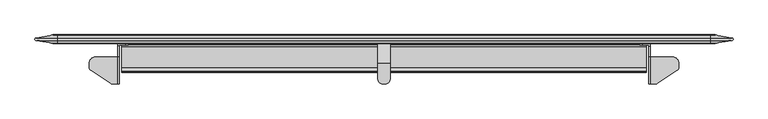
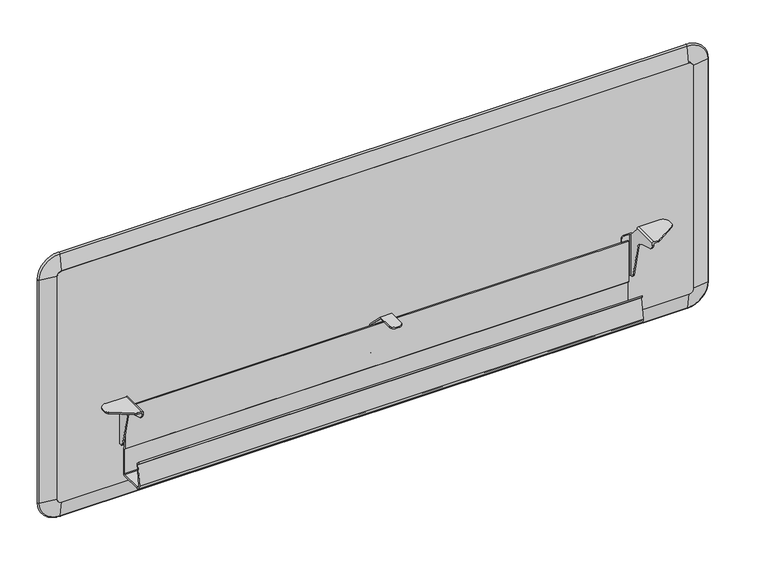
"""IFC4 building model written with IfcOpenShell, lengths in millimetres: furniture geometry."""

import ifcopenshell
import ifcopenshell.guid

model = None  # the IFC model being written
_history = None  # IfcOwnerHistory: only IFC2X3 demands one
_inside = {}  # id of a spatial element -> (the spatial element, [elements in it])
_under = {}  # id of a project, library or spatial element -> (it, [spatial elements below it])
_declared = {}  # id of a project -> (the project, [libraries it declares])
_typed = {}  # id of a type object -> (the type object, [elements of that type])
_made_of = {}  # id of a material, layer set ... -> (it, [elements and type objects made of it])


def new_model(schema):
    """Start an empty IFC model of exactly this schema.

    Asked for "IFC4X3", IfcOpenShell would pick the latest addendum, in which some entities
    have other attributes; the version numbers below select the first issue.
    IFC2X3 requires an IfcOwnerHistory on every rooted entity: one is made here for all.
    """
    global model, _history
    if schema == "IFC4X3":
        model = ifcopenshell.file(schema_version=(4, 3, 0, 0))
    else:
        model = ifcopenshell.file(schema=schema)
    _inside.clear()
    _under.clear()
    _declared.clear()
    _typed.clear()
    _made_of.clear()
    _history = None
    if model.schema == "IFC2X3":
        org = make("IfcOrganization", Name="unknown")
        user = make(
            "IfcPersonAndOrganization",
            ThePerson=make("IfcPerson", FamilyName="unknown"),
            TheOrganization=org,
        )
        app = make(
            "IfcApplication",
            ApplicationDeveloper=org,
            Version="unknown",
            ApplicationFullName="unknown",
            ApplicationIdentifier="unknown",
        )
        _history = make(
            "IfcOwnerHistory",
            OwningUser=user,
            OwningApplication=app,
            ChangeAction="ADDED",
            CreationDate=0,
        )
    return model


def make(cls, **values):
    """One entity of the class cls with the attributes given. An attribute that is None is left unset."""
    return model.create_entity(
        cls, **{name: value for name, value in values.items() if value is not None}
    )


def rooted(cls, **values):
    """An entity with a GlobalId (a new one), such as an element, a storey or a relation."""
    return make(cls, GlobalId=ifcopenshell.guid.new(), OwnerHistory=_history, **values)


def si_unit(unit_type, name, prefix=None):
    """IfcSIUnit, for example si_unit("LENGTHUNIT", "METRE", prefix="MILLI")."""
    return make("IfcSIUnit", UnitType=unit_type, Prefix=prefix, Name=name)


def assignment(units):
    """IfcUnitAssignment: the units of a project."""
    return None if units is None else make("IfcUnitAssignment", Units=units)


def point(xyz):
    """IfcCartesianPoint."""
    return None if xyz is None else make("IfcCartesianPoint", Coordinates=xyz)


def direction(xyz):
    """IfcDirection."""
    return None if xyz is None else make("IfcDirection", DirectionRatios=xyz)


def frame(location, z_axis=None, x_axis=None):
    """IfcAxis2Placement3D, a coordinate frame: its origin and axes. An axis left out is left unset."""
    return make(
        "IfcAxis2Placement3D",
        Location=point(location),
        Axis=direction(z_axis),
        RefDirection=direction(x_axis),
    )


def frame_2d(location, x_axis=None):
    """IfcAxis2Placement2D, a coordinate frame in the plane: its origin and x axis."""
    return make(
        "IfcAxis2Placement2D", Location=point(location), RefDirection=direction(x_axis)
    )


def origin():
    """The frame at (0, 0, 0) with its axes left unset."""
    return frame((0.0, 0.0, 0.0))


def place(relative_to, where):
    """IfcLocalPlacement: puts the frame where relative to a parent placement (None: the world)."""
    return make(
        "IfcLocalPlacement", PlacementRelTo=relative_to, RelativePlacement=where
    )


def context(
    kind, dimensions, precision=None, world=None, true_north=None, identifier=None
):
    """IfcGeometricRepresentationContext, for example the 3D "Model" context."""
    return make(
        "IfcGeometricRepresentationContext",
        ContextIdentifier=identifier,
        ContextType=kind,
        CoordinateSpaceDimension=dimensions,
        Precision=precision,
        WorldCoordinateSystem=world,
        TrueNorth=true_north,
    )


def project(units=None, contexts=None):
    """IfcProject with its units and contexts."""
    return rooted(
        "IfcProject",
        Name="project",
        RepresentationContexts=contexts,
        UnitsInContext=assignment(units),
    )


def spatial(cls, under=None, at=None, **own):
    """A site, building, storey or space (cls), placed at a placement, below another one or the project."""
    s = rooted(cls, ObjectPlacement=at, **own)
    if under is not None:
        _under.setdefault(under.id(), (under, []))[1].append(s)
    return s


def polyline(points):
    """IfcPolyline through the points."""
    return make("IfcPolyline", Points=[point(p) for p in points])


def circle_curve(where, radius):
    """IfcCircle in the frame where."""
    return make("IfcCircle", Position=where, Radius=radius)


def ellipse_curve(where, semi_axis1, semi_axis2):
    """IfcEllipse in the frame where."""
    return make(
        "IfcEllipse", Position=where, SemiAxis1=semi_axis1, SemiAxis2=semi_axis2
    )


def trimmed(basis, trim1, trim2, sense, master):
    """IfcTrimmedCurve: the piece of a basis curve between two trims."""
    return make(
        "IfcTrimmedCurve",
        BasisCurve=basis,
        Trim1=trim1,
        Trim2=trim2,
        SenseAgreement=sense,
        MasterRepresentation=master,
    )


def segment(curve, same_sense, transition):
    """IfcCompositeCurveSegment."""
    return make(
        "IfcCompositeCurveSegment",
        Transition=transition,
        SameSense=same_sense,
        ParentCurve=curve,
    )


def composite_curve(segments, self_intersect=None):
    """IfcCompositeCurve: segments joined end to end."""
    return make("IfcCompositeCurve", Segments=segments, SelfIntersect=self_intersect)


def outline(outer, holes=None, kind="AREA"):
    """IfcArbitraryClosedProfileDef: a profile drawn as a closed curve; with holes, ...WithVoids."""
    if holes is None:
        return make("IfcArbitraryClosedProfileDef", ProfileType=kind, OuterCurve=outer)
    return make(
        "IfcArbitraryProfileDefWithVoids",
        ProfileType=kind,
        OuterCurve=outer,
        InnerCurves=holes,
    )


def extrude(swept, where, along, depth):
    """IfcExtrudedAreaSolid: the profile swept, set in the frame where, extruded along a direction by depth."""
    return make(
        "IfcExtrudedAreaSolid",
        SweptArea=swept,
        Position=where,
        ExtrudedDirection=direction(along),
        Depth=depth,
    )


def shape(context_of_items, identifier, shape_type, items):
    """IfcShapeRepresentation: the items that make up one representation, for example the "Body"."""
    return make(
        "IfcShapeRepresentation",
        ContextOfItems=context_of_items,
        RepresentationIdentifier=identifier,
        RepresentationType=shape_type,
        Items=items,
    )


def source(mapping_origin, context_of_items, identifier, shape_type, items):
    """IfcRepresentationMap: a shape defined once, which mapped items show again and again."""
    return make(
        "IfcRepresentationMap",
        MappingOrigin=mapping_origin,
        MappedRepresentation=shape(context_of_items, identifier, shape_type, items),
    )


def transform(
    local_origin,
    x_axis=None,
    y_axis=None,
    z_axis=None,
    scale=None,
    scale2=None,
    scale3=None,
    uniform=True,
):
    """IfcCartesianTransformationOperator3D, or its non-uniform kind. x_axis, y_axis, z_axis: its Axis1, 2, 3."""
    if uniform:
        return make(
            "IfcCartesianTransformationOperator3D",
            Axis1=direction(x_axis),
            Axis2=direction(y_axis),
            LocalOrigin=point(local_origin),
            Scale=scale,
            Axis3=direction(z_axis),
        )
    return make(
        "IfcCartesianTransformationOperator3DnonUniform",
        Axis1=direction(x_axis),
        Axis2=direction(y_axis),
        LocalOrigin=point(local_origin),
        Scale=scale,
        Axis3=direction(z_axis),
        Scale2=scale2,
        Scale3=scale3,
    )


def mapped(mapping_source, mapping_target):
    """IfcMappedItem: shows the shape of a source again, moved by a transform."""
    return make(
        "IfcMappedItem", MappingSource=mapping_source, MappingTarget=mapping_target
    )


def made_of(thing, what):
    """Note that an element or type object is made of a material, layer set ...; save() writes the relation."""
    if what is not None:
        _made_of.setdefault(what.id(), (what, []))[1].append(thing)
    return thing


def element(
    cls,
    number,
    at=None,
    inside=None,
    cuts=None,
    type_object=None,
    material=None,
    context=None,
    identifier="Body",
    shape_type=None,
    held_by="IfcProductDefinitionShape",
    body=None,
    shapes=None,
    **own,
):
    """One element of the class cls, such as IfcWall. Its Tag is "e" and its number.

    at: its placement. inside: the storey or other place that contains it. cuts: it is an
    opening in that element (IfcRelVoidsElement). A single representation is given by context,
    identifier, shape_type and body (its items); several are given by shapes. held_by: the class
    of the entity that holds the representations. save() writes the other relations.
    """
    e = rooted(cls, Tag="e%d" % number, ObjectPlacement=at, **own)
    if body is not None:
        shapes = [shape(context, identifier, shape_type, body)]
    if shapes is not None:
        e.Representation = make(held_by, Representations=shapes)
    if inside is not None:
        _inside.setdefault(inside.id(), (inside, []))[1].append(e)
    if cuts is not None:
        rooted(
            "IfcRelVoidsElement", RelatingBuildingElement=cuts, RelatedOpeningElement=e
        )
    if type_object is not None:
        _typed.setdefault(type_object.id(), (type_object, []))[1].append(e)
    return made_of(e, material)


def aggregate(whole, parts):
    """IfcRelAggregates: a whole, such as a stair, and the parts it consists of."""
    return rooted("IfcRelAggregates", RelatingObject=whole, RelatedObjects=parts)


def save(model, path):
    """Write the relations noted so far, then the file.

    IfcRelAggregates (storeys below a building ...), IfcRelContainedInSpatialStructure (elements
    in a storey), IfcRelDefinesByType, IfcRelAssociatesMaterial and IfcRelDeclares: one each for
    every whole, place, type object, material and project.
    """
    for whole, parts in _under.values():
        aggregate(whole, parts)
    for where, things in _inside.values():
        rooted(
            "IfcRelContainedInSpatialStructure",
            RelatedElements=things,
            RelatingStructure=where,
        )
    for kind, things in _typed.values():
        rooted("IfcRelDefinesByType", RelatedObjects=things, RelatingType=kind)
    for what, things in _made_of.values():
        rooted("IfcRelAssociatesMaterial", RelatedObjects=things, RelatingMaterial=what)
    for by, libraries in _declared.values():
        rooted("IfcRelDeclares", RelatingContext=by, RelatedDefinitions=libraries)
    model.write(path)


def plane_surface(at):
    """IfcPlane: the flat surface through the origin of the frame at, square to its z axis."""
    return make("IfcPlane", Position=at)


def cylinder_surface(at, radius):
    """IfcCylindricalSurface: all points at the distance radius from the z axis of the frame at."""
    return make("IfcCylindricalSurface", Position=at, Radius=radius)


def revolved_surface(curve, axis_point, axis_direction):
    """IfcSurfaceOfRevolution: the curve turned about the line through axis_point along axis_direction."""
    return make(
        "IfcSurfaceOfRevolution",
        SweptCurve=make("IfcArbitraryOpenProfileDef", ProfileType="CURVE", Curve=curve),
        AxisPosition=make("IfcAxis1Placement", Location=point(axis_point), Axis=direction(axis_direction)),
    )


def advanced_brep(points, edges, surfaces, faces):
    """IfcAdvancedBrep: a solid bounded by faces that lie on surfaces and meet in shared edges.

    An edge is (start, end): straight between two places in points (the first is 0);
    or (start, end, curve); or (start, end, curve, False) where it runs against its curve.
    A face is (place in surfaces, loops), or (place, loops, False) where it looks against
    its surface's normal. A loop lists edges by number (the first is 1), with a minus sign
    where the edge is run from its end to its start. The first loop is the outer one.
    """
    corners = [point(p) for p in points]
    vertices = [make("IfcVertexPoint", VertexGeometry=c) for c in corners]
    made = []
    for start, end, *more in edges:
        made.append(
            make(
                "IfcEdgeCurve",
                EdgeStart=vertices[start],
                EdgeEnd=vertices[end],
                EdgeGeometry=more[0] if more else make("IfcPolyline", Points=[corners[start], corners[end]]),
                SameSense=more[1] if len(more) > 1 else True,
            )
        )
    hull = []
    for where, loops, *sense in faces:
        bounds = []
        for j, loop in enumerate(loops):
            ring = [make("IfcOrientedEdge", EdgeElement=made[abs(k) - 1], Orientation=k > 0) for k in loop]
            bounds.append(
                make(
                    "IfcFaceOuterBound" if j == 0 else "IfcFaceBound",
                    Bound=make("IfcEdgeLoop", EdgeList=ring),
                    Orientation=True,
                )
            )
        hull.append(make("IfcAdvancedFace", Bounds=bounds, FaceSurface=surfaces[where], SameSense=sense[0] if sense else True))
    return make("IfcAdvancedBrep", Outer=make("IfcClosedShell", CfsFaces=hull))


def furniture_ccbd1661(model_context):
    return source(origin(), model_context, "Body", "SolidModel", [
        advanced_brep(
        [(37.8460002, 26.549624, 1019.1897249), (47.2440002, 26.549624, 1028.5877249), (47.2440002, 31.9712442, 1064.189321), (2.2444041, 31.9712442, 1019.1897249), (37.8460002, 43.0596241, 1019.1897249), (47.2440002, 43.0596241, 1028.5877249), (2.2444041, 37.638004, 1019.1897249), (47.2440002, 37.638004, 1064.189321), (2.2444041, 31.9712442, 503.0871249), (37.8460002, 26.549624, 503.0871249), (37.8460002, 43.0596241, 503.0871249), (2.2444041, 37.638004, 503.0871249), (47.2440002, 26.549624, 493.6891249), (47.2440002, 31.9712442, 458.0875287), (47.2440002, 43.0596241, 493.6891249), (47.2440002, 37.638004, 458.0875287), (1422.6539998, 31.9712442, 458.0875287), (1422.6539998, 26.549624, 493.6891249), (1422.6539998, 43.0596241, 493.6891249), (1422.6539998, 37.638004, 458.0875287), (1432.0519998, 26.549624, 503.0871249), (1467.6535959, 31.9712442, 503.0871249), (1467.6535959, 31.9712442, 1019.1897249), (1432.0519998, 26.549624, 1019.1897249), (1432.0519998, 43.0596241, 503.0871249), (1432.0519998, 43.0596241, 1019.1897249), (1467.6535959, 37.638004, 503.0871249), (1467.6535959, 37.638004, 1019.1897249), (1422.6539998, 26.549624, 1028.5877249), (1422.6539998, 31.9712442, 1064.189321), (1422.6539998, 43.0596241, 1028.5877249), (1422.6539998, 37.638004, 1064.189321)],
        [
            (0, 1, circle_curve(frame((47.2440002, 26.549624, 1019.1897249), z_axis=(0.0, 1.0, 0.0), x_axis=(0.0, 0.0, 1.0)), 9.398)),
            (1, 2),
            (2, 3, circle_curve(frame((47.2440002, 31.9712442, 1019.1897249), z_axis=(0.0, -1.0, 0.0), x_axis=(0.0, 0.0, 1.0)), 44.9995962)),
            (3, 0),
            (4, 5, circle_curve(frame((47.2440002, 43.0596241, 1019.1897249), z_axis=(0.0, 1.0, 0.0), x_axis=(0.0, 0.0, 1.0)), 9.398)),
            (5, 1),
            (0, 4),
            (6, 7, circle_curve(frame((47.2440002, 37.638004, 1019.1897249), z_axis=(0.0, 1.0, 0.0), x_axis=(0.0, 0.0, 1.0)), 44.9995962)),
            (7, 5),
            (4, 6),
            (2, 7, circle_curve(frame((47.2440002, 34.8046241, 1063.7578373), z_axis=(-1.0, 0.0, 0.0), x_axis=(0.0, 0.0, -1.0)), 2.866046)),
            (6, 3, circle_curve(frame((2.6758878, 34.8046241, 1019.1897249), z_axis=(-1.6538877974066437e-12, 0.0, 1.0), x_axis=(1.0, 0.0, 1.6538877974066437e-12)), 2.866046)),
            (3, 8),
            (8, 9),
            (9, 0),
            (9, 10),
            (10, 4),
            (10, 11),
            (11, 6),
            (11, 8, circle_curve(frame((2.6758878, 34.8046241, 503.0871249), z_axis=(0.0, 0.0, 1.0), x_axis=(1.0, 0.0, 0.0)), 2.866046)),
            (12, 9, circle_curve(frame((47.2440002, 26.549624, 503.0871249), z_axis=(0.0, 1.0, 0.0), x_axis=(-1.0, 0.0, 0.0)), 9.398)),
            (8, 13, circle_curve(frame((47.2440002, 31.9712442, 503.0871249), z_axis=(0.0, -1.0, 0.0), x_axis=(-1.0, 0.0, 0.0)), 44.9995962)),
            (13, 12),
            (14, 10, circle_curve(frame((47.2440002, 43.0596241, 503.0871249), z_axis=(0.0, 1.0, 0.0), x_axis=(-1.0, 0.0, 0.0)), 9.398)),
            (12, 14),
            (15, 11, circle_curve(frame((47.2440002, 37.638004, 503.0871249), z_axis=(0.0, 1.0, 0.0), x_axis=(-1.0, 0.0, 0.0)), 44.9995962)),
            (14, 15),
            (15, 13, circle_curve(frame((47.2440002, 34.8046241, 458.5190124), z_axis=(-1.0, 0.0, 0.0), x_axis=(0.0, 0.0, 1.0)), 2.866046)),
            (13, 16),
            (16, 17),
            (17, 12),
            (17, 18),
            (18, 14),
            (18, 19),
            (19, 15),
            (19, 16, circle_curve(frame((1422.6539998, 34.8046241, 458.5190124), z_axis=(-1.0, 0.0, 0.0), x_axis=(0.0, 0.0, 1.0)), 2.866046)),
            (20, 21),
            (21, 22),
            (22, 23),
            (23, 20),
            (24, 20),
            (23, 25),
            (25, 24),
            (26, 24),
            (25, 27),
            (27, 26),
            (21, 26, circle_curve(frame((1467.2221122, 34.8046241, 503.0871249), z_axis=(0.0, 0.0, 1.0), x_axis=(-1.0, 0.0, 0.0)), 2.866046)),
            (27, 22, circle_curve(frame((1467.2221122, 34.8046241, 1019.1897249), z_axis=(0.0, 0.0, -1.0), x_axis=(-1.0, 0.0, 0.0)), 2.866046)),
            (28, 23, circle_curve(frame((1422.6539998, 26.549624, 1019.1897249), z_axis=(0.0, 1.0, 0.0), x_axis=(1.0, 0.0, 0.0)), 9.398)),
            (22, 29, circle_curve(frame((1422.6539998, 31.9712442, 1019.1897249), z_axis=(0.0, -1.0, 0.0), x_axis=(1.0, 0.0, 0.0)), 44.9995962)),
            (29, 28),
            (30, 25, circle_curve(frame((1422.6539998, 43.0596241, 1019.1897249), z_axis=(0.0, 1.0, 0.0), x_axis=(1.0, 0.0, 0.0)), 9.398)),
            (28, 30),
            (31, 27, circle_curve(frame((1422.6539998, 37.638004, 1019.1897249), z_axis=(0.0, 1.0, 0.0), x_axis=(1.0, 0.0, 0.0)), 44.9995962)),
            (30, 31),
            (31, 29, circle_curve(frame((1422.6539998, 34.8046241, 1063.7578373), z_axis=(1.0, 0.0, 0.0), x_axis=(0.0, 0.0, -1.0)), 2.866046)),
            (29, 2),
            (1, 28),
            (5, 30),
            (7, 31),
            (20, 17, circle_curve(frame((1422.6539998, 26.549624, 503.0871249), z_axis=(0.0, 1.0, 0.0), x_axis=(0.0, 0.0, -1.0)), 9.398)),
            (16, 21, circle_curve(frame((1422.6539998, 31.9712442, 503.0871249), z_axis=(0.0, -1.0, 0.0), x_axis=(0.0, 0.0, -1.0)), 44.9995962)),
            (24, 18, circle_curve(frame((1422.6539998, 43.0596241, 503.0871249), z_axis=(0.0, 1.0, 0.0), x_axis=(0.0, 0.0, -1.0)), 9.398)),
            (26, 19, circle_curve(frame((1422.6539998, 37.638004, 503.0871249), z_axis=(0.0, 1.0, 0.0), x_axis=(0.0, 0.0, -1.0)), 44.9995962)),
        ],
        [
            revolved_surface(polyline([(47.2440002, 31.9712442, 1064.189321), (47.2440002, 26.549624, 1028.5877249)]), (47.2440002, 34.8046241, 1019.1897249), (0.0, -1.0, 0.0)),
            revolved_surface(polyline([(47.2440002, 26.549624, 1028.5877249), (47.2440002, 43.0596241, 1028.5877249)]), (47.2440002, 34.8046241, 1019.1897249), (0.0, -1.0, 0.0)),
            revolved_surface(polyline([(47.2440002, 43.0596241, 1028.5877249), (47.2440002, 37.638004, 1064.189321)]), (47.2440002, 34.8046241, 1019.1897249), (0.0, -1.0, 0.0)),
            revolved_surface(trimmed(ellipse_curve(frame((47.2440002, 34.8046241, 1063.7578373), z_axis=(1.0, 0.0, 0.0), x_axis=(0.0, 0.0, -1.0)), 2.866046, 2.866046), [point((47.2440002, 37.638004, 1064.189321))], [point((47.2440002, 31.9712442, 1064.189321))], True, "CARTESIAN"), (47.2440002, 34.8046241, 1019.1897249), (0.0, -1.0, 0.0)),
            plane_surface(frame((2.2444041, 31.9712442, 1019.1897249), z_axis=(-0.1505501753136433, -0.9886023693644637, 0.0), x_axis=(0.0, 0.0, -1.0))),
            plane_surface(frame((37.8460002, 26.549624, 1019.1897249), z_axis=(1.0, 0.0, 0.0), x_axis=(0.0, 0.0, -1.0))),
            plane_surface(frame((37.8460002, 43.0596241, 1019.1897249), z_axis=(-0.1505501753136384, 0.9886023693644643, 0.0), x_axis=(0.0, 0.0, -1.0))),
            cylinder_surface(frame((2.6758878, 34.8046241, 1019.1897249), z_axis=(0.0, 0.0, 1.0), x_axis=(1.0, 0.0, 0.0)), 2.866046),
            revolved_surface(polyline([(2.2444041, 31.9712442, 503.0871249), (37.8460002, 26.549624, 503.0871249)]), (47.2440002, 34.8046241, 503.0871249), (0.0, -1.0, 0.0)),
            revolved_surface(polyline([(37.846000200000006, 26.549624, 503.0871249), (37.846000200000006, 43.0596241, 503.0871249)]), (47.2440002, 34.8046241, 503.0871249), (0.0, -1.0, 0.0)),
            revolved_surface(polyline([(37.8460002, 43.0596241, 503.0871249), (2.2444041, 37.638004, 503.0871249)]), (47.2440002, 34.8046241, 503.0871249), (0.0, -1.0, 0.0)),
            revolved_surface(trimmed(ellipse_curve(frame((2.6758878, 34.8046241, 503.0871249), z_axis=(0.0, 0.0, 1.0), x_axis=(1.0, 0.0, 0.0)), 2.866046, 2.866046), [point((2.2444041, 37.638004, 503.0871249))], [point((2.2444041, 31.9712442, 503.0871249))], True, "CARTESIAN"), (47.2440002, 34.8046241, 503.0871249), (0.0, -1.0, 0.0)),
            plane_surface(frame((47.2440002, 31.9712442, 458.0875287), z_axis=(0.0, -0.9886023693644641, -0.1505501753136401), x_axis=(1.0, 0.0, 0.0))),
            plane_surface(frame((47.2440002, 26.549624, 493.6891249), z_axis=(0.0, 0.0, 1.0), x_axis=(1.0, 0.0, 0.0))),
            plane_surface(frame((47.2440002, 43.0596241, 493.6891249), z_axis=(0.0, 0.9886023693644639, -0.1505501753136416), x_axis=(1.0, 0.0, 0.0))),
            cylinder_surface(frame((47.2440002, 34.8046241, 458.5190124), z_axis=(-1.0, 0.0, 0.0), x_axis=(0.0, 0.0, 1.0)), 2.866046),
            plane_surface(frame((1467.6535959, 31.9712442, 503.0871249), z_axis=(0.1505501753136369, -0.9886023693644646, 0.0), x_axis=(0.0, 0.0, 1.0))),
            plane_surface(frame((1432.0519998, 26.549624, 503.0871249), z_axis=(-1.0, 0.0, 0.0), x_axis=(0.0, 0.0, 1.0))),
            plane_surface(frame((1432.0519998, 43.0596241, 503.0871249), z_axis=(0.15055017531364479, 0.9886023693644634, 0.0), x_axis=(0.0, 0.0, 1.0))),
            cylinder_surface(frame((1467.2221122, 34.8046241, 503.0871249), z_axis=(0.0, 0.0, -1.0), x_axis=(-1.0, 0.0, 0.0)), 2.866046),
            revolved_surface(polyline([(1467.6535959, 31.9712442, 1019.1897249), (1432.0519998, 26.549624, 1019.1897249)]), (1422.6539998, 34.8046241, 1019.1897249), (0.0, -1.0, 0.0)),
            revolved_surface(polyline([(1432.0519998, 26.549624, 1019.1897249), (1432.0519998, 43.0596241, 1019.1897249)]), (1422.6539998, 34.8046241, 1019.1897249), (0.0, -1.0, 0.0)),
            revolved_surface(polyline([(1432.0519998, 43.0596241, 1019.1897249), (1467.6535959, 37.638004, 1019.1897249)]), (1422.6539998, 34.8046241, 1019.1897249), (0.0, -1.0, 0.0)),
            revolved_surface(trimmed(ellipse_curve(frame((1467.2221122, 34.8046241, 1019.1897249), z_axis=(0.0, 0.0, -1.0), x_axis=(-1.0, 0.0, 0.0)), 2.866046, 2.866046), [point((1467.6535959, 37.638004, 1019.1897249))], [point((1467.6535959, 31.9712442, 1019.1897249))], True, "CARTESIAN"), (1422.6539998, 34.8046241, 1019.1897249), (0.0, -1.0, 0.0)),
            plane_surface(frame((1422.6539998, 31.9712442, 1064.189321), z_axis=(0.0, -0.9886023693644641, 0.1505501753136401), x_axis=(-1.0, 0.0, 0.0))),
            plane_surface(frame((1422.6539998, 26.549624, 1028.5877249), z_axis=(0.0, 0.0, -1.0), x_axis=(-1.0, 0.0, 0.0))),
            plane_surface(frame((1422.6539998, 43.0596241, 1028.5877249), z_axis=(0.0, 0.9886023693644639, 0.1505501753136416), x_axis=(-1.0, 0.0, 0.0))),
            cylinder_surface(frame((1422.6539998, 34.8046241, 1063.7578373), z_axis=(1.0, 0.0, 0.0), x_axis=(0.0, 0.0, -1.0)), 2.866046),
            revolved_surface(polyline([(1422.6539998, 31.9712442, 458.0875287), (1422.6539998, 26.549624, 493.6891249)]), (1422.6539998, 34.8046241, 503.0871249), (0.0, -1.0, 0.0)),
            revolved_surface(polyline([(1422.6539998, 26.549624, 493.68912489999997), (1422.6539998, 43.0596241, 493.68912489999997)]), (1422.6539998, 34.8046241, 503.0871249), (0.0, -1.0, 0.0)),
            revolved_surface(polyline([(1422.6539998, 43.0596241, 493.6891249), (1422.6539998, 37.638004, 458.0875287)]), (1422.6539998, 34.8046241, 503.0871249), (0.0, -1.0, 0.0)),
            revolved_surface(trimmed(ellipse_curve(frame((1422.6539998, 34.8046241, 458.5190124), z_axis=(-1.0, 0.0, 0.0), x_axis=(0.0, 0.0, 1.0)), 2.866046, 2.866046), [point((1422.6539998, 37.638004, 458.0875287))], [point((1422.6539998, 31.9712442, 458.0875287))], True, "CARTESIAN"), (1422.6539998, 34.8046241, 503.0871249), (0.0, -1.0, 0.0)),
        ],
        [
            (0, [[1, 2, 3, 4]]),
            (1, [[5, 6, -1, 7]]),
            (2, [[8, 9, -5, 10]]),
            (3, [[-3, 11, -8, 12]]),
            (4, [[-4, 13, 14, 15]]),
            (5, [[-7, -15, 16, 17]]),
            (6, [[-10, -17, 18, 19]]),
            (7, [[-12, -19, 20, -13]]),
            (8, [[21, -14, 22, 23]]),
            (9, [[24, -16, -21, 25]]),
            (10, [[26, -18, -24, 27]]),
            (11, [[-22, -20, -26, 28]]),
            (12, [[-23, 29, 30, 31]]),
            (13, [[-25, -31, 32, 33]]),
            (14, [[-27, -33, 34, 35]]),
            (15, [[-28, -35, 36, -29]]),
            (16, [[37, 38, 39, 40]]),
            (17, [[41, -40, 42, 43]]),
            (18, [[44, -43, 45, 46]]),
            (19, [[47, -46, 48, -38]]),
            (20, [[49, -39, 50, 51]]),
            (21, [[52, -42, -49, 53]]),
            (22, [[54, -45, -52, 55]]),
            (23, [[-50, -48, -54, 56]]),
            (24, [[-51, 57, -2, 58]]),
            (25, [[-53, -58, -6, 59]]),
            (26, [[-55, -59, -9, 60]]),
            (27, [[-56, -60, -11, -57]]),
            (28, [[61, -30, 62, -37]]),
            (29, [[63, -32, -61, -41]]),
            (30, [[64, -34, -63, -44]]),
            (31, [[-62, -36, -64, -47]]),
        ],
    ),
        extrude(outline(composite_curve([segment(polyline([(1028.5877249, 1422.6539998), (1028.5877249, 47.2440002)]), True, "CONTINUOUS"), segment(trimmed(circle_curve(frame_2d((1019.1897249, 47.2440002)), 9.398), [point((1028.5877249, 47.2440002))], [point((1019.1897249, 37.8460002))], False, "CARTESIAN"), True, "CONTINUOUS"), segment(polyline([(1019.1897249, 37.8460002), (503.0871249, 37.8460002)]), True, "CONTINUOUS"), segment(trimmed(circle_curve(frame_2d((503.0871249, 47.2440002)), 9.398), [point((503.0871249, 37.8460002))], [point((493.6891249, 47.2440002))], False, "CARTESIAN"), True, "CONTINUOUS"), segment(polyline([(493.6891249, 47.2440002), (493.6891249, 1422.6539998)]), True, "CONTINUOUS"), segment(trimmed(circle_curve(frame_2d((503.0871249, 1422.6539998)), 9.398), [point((493.6891249, 1422.6539998))], [point((503.0871249, 1432.0519998))], False, "CARTESIAN"), True, "CONTINUOUS"), segment(polyline([(503.0871249, 1432.0519998), (1019.1897249, 1432.0519998)]), True, "CONTINUOUS"), segment(trimmed(circle_curve(frame_2d((1019.1897249, 1422.6539998)), 9.398), [point((1019.1897249, 1432.0519998))], [point((1028.5877249, 1422.6539998))], False, "CARTESIAN"), True, "CONTINUOUS")], self_intersect=False)), frame((0.0, 25.4066228, 0.0), z_axis=(0.0, 1.0, 0.0), x_axis=(0.0, 0.0, 1.0)), (0.0, 0.0, 1.0), 18.7960025),
        extrude(outline(composite_curve([segment(polyline([(-29.6214455, 566.0400135), (-32.2417275, 568.6602751), (-31.9020339, 572.8107121), (-26.2692382, 567.1779164), (-32.5488339, 519.4796569)]), True, "CONTINUOUS"), segment(trimmed(circle_curve(frame_2d((-26.2531591, 518.6508155)), 6.35), [point((-32.5488339, 519.4796569))], [point((-26.2531591, 512.3008155))], True, "CARTESIAN"), True, "CONTINUOUS"), segment(polyline([(-26.2531591, 512.3008155), (20.6071565, 512.3008155), (22.1946573, 513.8882913), (22.1946573, 570.4668145), (19.0196569, 573.6418024), (19.0196569, 667.977396), (22.1946573, 667.977396), (22.1946573, 574.9569474), (25.3696565, 571.7819232), (25.3696565, 512.3008155), (24.4397214, 510.055749), (22.1946573, 509.1257913), (-26.0079813, 509.1257913)]), True, "CONTINUOUS"), segment(trimmed(circle_curve(frame_2d((-26.0079813, 518.8658104)), 9.7400191), [point((-26.0079813, 509.1257913))], [point((-35.6646732, 520.1371379))], False, "CARTESIAN"), True, "CONTINUOUS"), segment(polyline([(-35.6646732, 520.1371379), (-29.6214455, 566.0400135)]), True, "CONTINUOUS")], self_intersect=False)), frame((183.0831925, 0.0, 0.0), z_axis=(1.0, 0.0, 0.0), x_axis=(0.0, 1.0, 0.0)), (0.0, 0.0, 1.0), 1103.7316072),
        advanced_brep(
        [(1291.3359998, 22.0728737, 681.0643879), (1292.8599983, 20.5488729, 681.0643879), (1295.9079954, 20.5488729, 681.0643879), (1295.9079954, 25.1208731, 681.0643879), (1279.9059985, 25.1208731, 681.0643879), (1279.9059985, 22.0728737, 681.0643879), (1295.9079998, 18.5173958, 585.8154416), (1292.8599998, 18.5173958, 585.8154416), (1292.8599998, 20.5488729, 585.8154416), (1291.3359998, 22.0728737, 585.8154416), (1279.9059985, 22.0728737, 585.8154416), (1279.9059985, 25.1208731, 585.8154416), (1295.9079954, 25.1208731, 585.8154416), (1295.9079954, 20.5488729, 681.3737901), (1295.9079954, -2.6141187, 706.2063852), (1295.9079954, -59.9691275, 706.2063881), (1295.9079954, -59.9691275, 703.6685243), (1295.9079954, -51.0192378, 691.5348244), (1295.9079954, -19.5344252, 681.8039492), (1295.9079954, -4.0487508, 665.2685282), (1295.9079954, 14.0702213, 589.3263938), (1273.5559985, 25.1208731, 592.1654416), (1273.5559985, 25.1208731, 674.7143879), (1273.5559985, 22.0728737, 674.7143879), (1273.5559985, 22.0728737, 592.1654416), (1297.4827917, -59.9691275, 707.7811438), (1305.7824919, -59.9691275, 707.7811438), (1305.7824919, -59.9691275, 710.8545753), (1296.0349998, -59.9691275, 710.8545753), (1292.8599998, -59.9691275, 707.6795753), (1292.8599998, -59.9691275, 703.6685243), (1292.8599998, -2.6141187, 706.2063852), (1292.8599998, -2.6141187, 707.6795753), (1296.0349998, -2.6141187, 710.8545753), (1342.5169927, -2.6141187, 710.8545753), (1342.5169927, -2.6141187, 707.7811438), (1297.4827917, -2.6141187, 707.7811438), (1292.8599998, 20.5488729, 681.3737901), (1292.8599998, 14.0702213, 589.3263938), (1292.8599998, -4.0487508, 665.2685282), (1292.8599998, -19.5344252, 681.8039492), (1292.8599998, -51.0192378, 691.5348244), (1310.6892117, -58.4923724, 710.8545753), (1351.8687126, -31.236255, 710.8545753), (1355.8519927, -23.8230101, 710.8545753), (1355.8519927, -15.9491187, 710.8545753), (1351.8687126, -31.236255, 707.7811438), (1310.6892117, -58.4923724, 707.7811438), (1355.8519927, -15.9491187, 707.7811438), (1355.8519927, -23.8230101, 707.7811438)],
        [
            (0, 1),
            (1, 2),
            (2, 3),
            (3, 4),
            (4, 5),
            (5, 0),
            (6, 7),
            (7, 8),
            (8, 9),
            (9, 10),
            (10, 11),
            (11, 12),
            (12, 6),
            (0, 9),
            (8, 1),
            (2, 13),
            (13, 14),
            (14, 15),
            (15, 16),
            (16, 17, circle_curve(frame((1295.9079954, -47.2691275, 703.6685243), z_axis=(1.0, 0.0, 0.0), x_axis=(0.0, 0.0, -1.0)), 12.7)),
            (17, 18),
            (18, 19, circle_curve(frame((1295.9079954, -26.2846237, 659.9632894), z_axis=(-1.0, 0.0, 0.0), x_axis=(0.0, 0.0, -1.0)), 22.86)),
            (19, 20),
            (20, 6, circle_curve(frame((1295.9079954, 18.5173958, 590.3874416), z_axis=(1.0, 0.0, 0.0), x_axis=(0.0, 0.0, -1.0)), 4.572)),
            (12, 3),
            (11, 21, circle_curve(frame((1279.9059985, 25.1208731, 592.1654416), z_axis=(0.0, 1.0, 0.0), x_axis=(-1.0, 0.0, 0.0)), 6.35)),
            (21, 22),
            (22, 4, circle_curve(frame((1279.9059985, 25.1208731, 674.7143879), z_axis=(0.0, 1.0, 0.0), x_axis=(-1.0, 0.0, 0.0)), 6.35)),
            (5, 23, circle_curve(frame((1279.9059985, 22.0728737, 674.7143879), z_axis=(0.0, -1.0, 0.0), x_axis=(-1.0, 0.0, 0.0)), 6.35)),
            (23, 24),
            (24, 10, circle_curve(frame((1279.9059985, 22.0728737, 592.1654416), z_axis=(0.0, -1.0, 0.0), x_axis=(-1.0, 0.0, 0.0)), 6.35)),
            (24, 21),
            (23, 22),
            (15, 25),
            (25, 26),
            (26, 27),
            (27, 28),
            (28, 29, circle_curve(frame((1296.0349998, -59.9691275, 707.6795753), z_axis=(0.0, -1.0, 0.0), x_axis=(-1.0, 0.0, 0.0)), 3.175)),
            (29, 30),
            (30, 16),
            (31, 32),
            (32, 33, circle_curve(frame((1296.0349998, -2.6141187, 707.6795753), z_axis=(0.0, 1.0, 0.0), x_axis=(-1.0, 0.0, 0.0)), 3.175)),
            (33, 34),
            (34, 35),
            (35, 36),
            (36, 14),
            (14, 31),
            (29, 32),
            (31, 37),
            (37, 1),
            (7, 38, circle_curve(frame((1292.8599998, 18.5173958, 590.3874416), z_axis=(-1.0, 0.0, 0.0), x_axis=(0.0, 0.0, -1.0)), 4.572)),
            (38, 39),
            (39, 40, circle_curve(frame((1292.8599998, -26.2846237, 659.9632894), z_axis=(1.0, 0.0, 0.0), x_axis=(0.0, 0.0, -1.0)), 22.86)),
            (40, 41),
            (41, 30, circle_curve(frame((1292.8599998, -47.2691275, 703.6685243), z_axis=(-1.0, 0.0, 0.0), x_axis=(0.0, 0.0, -1.0)), 12.7)),
            (36, 25),
            (28, 33),
            (27, 42, circle_curve(frame((1305.7824919, -51.0791275, 710.8545753), z_axis=(0.0, 0.0, 1.0), x_axis=(-1.0, 0.0, 0.0)), 8.89)),
            (42, 43),
            (43, 44, circle_curve(frame((1346.9619927, -23.8230101, 710.8545753), z_axis=(0.0, 0.0, 1.0), x_axis=(-1.0, 0.0, 0.0)), 8.89)),
            (44, 45),
            (45, 34, circle_curve(frame((1342.5169927, -15.9491187, 710.8545753), z_axis=(0.0, 0.0, 1.0), x_axis=(-1.0, 0.0, 0.0)), 13.335)),
            (46, 47),
            (47, 26, circle_curve(frame((1305.7824919, -51.0791275, 707.7811438), z_axis=(0.0, 0.0, -1.0), x_axis=(-1.0, 0.0, 0.0)), 8.89)),
            (35, 48, circle_curve(frame((1342.5169927, -15.9491187, 707.7811438), z_axis=(0.0, 0.0, -1.0), x_axis=(-1.0, 0.0, 0.0)), 13.335)),
            (48, 49),
            (49, 46, circle_curve(frame((1346.9619927, -23.8230101, 707.7811438), z_axis=(0.0, 0.0, -1.0), x_axis=(-1.0, 0.0, 0.0)), 8.89)),
            (42, 47),
            (46, 43),
            (45, 48),
            (44, 49),
            (37, 13),
            (20, 38),
            (19, 39),
            (18, 40),
            (17, 41),
        ],
        [
            plane_surface(frame((1291.3359998, 25.1208731, 681.0643879), z_axis=(0.0, 0.0, 1.0), x_axis=(0.0, -1.0, 0.0))),
            plane_surface(frame((1291.3359998, 25.1208731, 585.8154416), z_axis=(0.0, 0.0, -1.0), x_axis=(0.0, -1.0, 0.0))),
            plane_surface(frame((1291.3359998, 22.0728737, 681.0643879), z_axis=(-0.7071073080222255, -0.707106254350477, 0.0), x_axis=(0.0, 0.0, -1.0))),
            plane_surface(frame((1295.9079954, 20.5488729, 681.0643879), z_axis=(1.0, 0.0, 0.0), x_axis=(0.0, 0.0, -1.0))),
            plane_surface(frame((1295.9079954, 25.1208731, 681.0643879), z_axis=(0.0, 1.0, 0.0), x_axis=(0.0, 0.0, -1.0))),
            plane_surface(frame((1279.9059985, 22.0728737, 681.0643879), z_axis=(0.0, -1.0, 0.0), x_axis=(-1.0, 0.0, 0.0))),
            cylinder_surface(frame((1279.9059985, 25.1208731, 592.1654416), z_axis=(0.0, -1.0, 0.0), x_axis=(-1.0, 0.0, 0.0)), 6.35),
            plane_surface(frame((1273.5559985, 22.0728737, 674.7143879), z_axis=(-1.0, 0.0, 0.0), x_axis=(0.0, 1.0, 0.0))),
            cylinder_surface(frame((1279.9059985, 25.1208731, 674.7143879), z_axis=(0.0, -1.0, 0.0), x_axis=(-1.0, 0.0, 0.0)), 6.35),
            plane_surface(frame((1292.8599998, -59.9691275, 706.2063852), z_axis=(0.0, -1.0, 0.0), x_axis=(0.0, 0.0, 1.0))),
            plane_surface(frame((1292.8599998, -2.6141187, 706.2063852), z_axis=(0.0, 1.0, 0.0), x_axis=(0.0, 0.0, 1.0))),
            plane_surface(frame((1292.8599998, -59.9691275, 707.6795753), z_axis=(-1.0, 0.0, 0.0), x_axis=(0.0, 1.0, 0.0))),
            plane_surface(frame((1295.9079969, -59.9691275, 706.2063852), z_axis=(0.707098623564232, 0.0, -0.7071149387147527), x_axis=(0.0, 1.0, 0.0))),
            cylinder_surface(frame((1296.0349998, -59.9691275, 707.6795753), z_axis=(0.0, -1.0, 0.0), x_axis=(-1.0, 0.0, 0.0)), 3.175),
            plane_surface(frame((1297.4827917, -59.9691275, 710.8545753), z_axis=(0.0, 0.0, 1.0), x_axis=(0.0, 1.0, 0.0))),
            plane_surface(frame((1338.0719927, -23.8230101, 707.7811438), z_axis=(0.0, 0.0, -1.0), x_axis=(0.0, 1.0, 0.0))),
            plane_surface(frame((1310.6892117, -58.4923724, 710.8545753), z_axis=(0.5519369911431358, -0.833885818207662, 0.0), x_axis=(0.0, 0.0, -1.0))),
            cylinder_surface(frame((1305.7824919, -51.0791275, 707.7811438), z_axis=(0.0, 0.0, 1.0), x_axis=(-1.0, 0.0, 0.0)), 8.89),
            cylinder_surface(frame((1342.5169927, -15.9491187, 707.7811438), z_axis=(0.0, 0.0, 1.0), x_axis=(-1.0, 0.0, 0.0)), 13.335),
            plane_surface(frame((1355.8519927, -23.8230101, 710.8545753), z_axis=(1.0, 0.0, 0.0), x_axis=(0.0, 0.0, -1.0))),
            cylinder_surface(frame((1346.9619927, -23.8230101, 707.7811438), z_axis=(0.0, 0.0, 1.0), x_axis=(-1.0, 0.0, 0.0)), 8.89),
            plane_surface(frame((1295.9079998, 20.5488729, 585.8154416), z_axis=(0.0, 1.0, 0.0), x_axis=(-1.0, 0.0, 0.0))),
            plane_surface(frame((1295.9079998, 20.5488729, 681.3737901), z_axis=(0.0, 0.7312623065650411, 0.6820963560943394), x_axis=(-1.0, 0.0, 0.0))),
            cylinder_surface(frame((1292.8599998, 18.5173958, 590.3874416), z_axis=(1.0, 0.0, 0.0), x_axis=(0.0, 0.0, -1.0)), 4.572),
            plane_surface(frame((1295.9079998, -4.0487508, 665.2685282), z_axis=(0.0, -0.972697849560511, -0.23207518923908624), x_axis=(-1.0, 0.0, 0.0))),
            revolved_surface(polyline([(1292.8599998, -26.2846237, 637.1032894), (1295.9079954, -26.2846237, 637.1032894)]), (1292.8599998, -26.2846237, 659.9632894), (-1.0, 0.0, 0.0)),
            plane_surface(frame((1295.9079998, -51.0192378, 691.5348244), z_axis=(0.0, -0.2952842736686701, -0.9554094398340254), x_axis=(-1.0, 0.0, 0.0))),
            cylinder_surface(frame((1292.8599998, -47.2691275, 703.6685243), z_axis=(1.0, 0.0, 0.0), x_axis=(0.0, 0.0, -1.0)), 12.7),
        ],
        [
            (0, [[1, 2, 3, 4, 5, 6]]),
            (1, [[7, 8, 9, 10, 11, 12, 13]]),
            (2, [[-1, 14, -9, 15]]),
            (3, [[-3, 16, 17, 18, 19, 20, 21, 22, 23, 24, -13, 25]]),
            (4, [[-25, -12, 26, 27, 28, -4]]),
            (5, [[-6, 29, 30, 31, -10, -14]]),
            (6, [[-31, 32, -26, -11]]),
            (7, [[-30, 33, -27, -32]]),
            (8, [[-29, -5, -28, -33]]),
            (9, [[34, 35, 36, 37, 38, 39, 40, -19]]),
            (10, [[41, 42, 43, 44, 45, 46, 47]]),
            (11, [[-39, 48, -41, 49, 50, -15, -8, 51, 52, 53, 54, 55]]),
            (12, [[-34, -18, -46, 56]]),
            (13, [[-38, 57, -42, -48]]),
            (14, [[-57, -37, 58, 59, 60, 61, 62, -43]]),
            (15, [[63, 64, -35, -56, -45, 65, 66, 67]]),
            (16, [[-59, 68, -63, 69]]),
            (17, [[-58, -36, -64, -68]]),
            (18, [[-62, 70, -65, -44]]),
            (19, [[-61, 71, -66, -70]]),
            (20, [[-60, -69, -67, -71]]),
            (21, [[72, -16, -2, -50]]),
            (22, [[-49, -47, -17, -72]]),
            (23, [[-51, -7, -24, 73]]),
            (24, [[-52, -73, -23, 74]]),
            (25, [[-53, -74, -22, 75]]),
            (26, [[-54, -75, -21, 76]]),
            (27, [[-55, -76, -20, -40]]),
        ],
    ),
        advanced_brep(
        [(177.0380017, -59.9691275, 703.6685243), (177.0380017, -51.0192378, 691.5348244), (177.0380017, -19.5344252, 681.8039492), (177.0380017, -4.0487508, 665.2685282), (177.0380017, 14.0702213, 589.3263938), (177.0380017, 18.5173958, 585.8154416), (177.0380017, 20.5488729, 585.8154416), (177.0380017, 20.5488729, 681.0643879), (177.0380017, 20.5488729, 681.3737901), (177.0380017, -2.6141187, 706.2063852), (177.0380017, -2.6141187, 707.6795753), (177.0380017, -59.9691275, 707.6795753), (173.9900046, -2.6141187, 706.2063852), (173.9900046, 20.5488729, 681.3737901), (173.9900046, 20.5488729, 681.0643879), (173.9900046, 25.1208731, 681.0643879), (173.9900046, 25.1208731, 585.8154416), (173.9900046, 18.5173958, 585.8154416), (173.9900046, 14.0702213, 589.3263938), (173.9900046, -4.0487508, 665.2685282), (173.9900046, -19.5344252, 681.8039492), (173.9900046, -51.0192378, 691.5348244), (173.9900046, -59.9691275, 703.6685243), (173.9900046, -59.9691275, 706.2063852), (173.8630017, -59.9691275, 710.8545753), (164.1155081, -59.9691275, 710.8545753), (164.1155081, -59.9691275, 707.7811438), (172.4152097, -59.9691275, 707.7811438), (189.9920015, 25.1208731, 585.8154416), (189.9920015, 22.0728737, 585.8154416), (178.5620002, 22.0728737, 585.8154416), (178.5620002, 22.0728737, 681.0643879), (189.9920015, 22.0728737, 681.0643879), (189.9920015, 25.1208731, 681.0643879), (196.3420015, 25.1208731, 674.7143879), (196.3420015, 25.1208731, 592.1654416), (196.3420015, 22.0728737, 592.1654416), (196.3420015, 22.0728737, 674.7143879), (172.4152097, -2.6141187, 707.7811438), (127.3810073, -2.6141187, 707.7811438), (127.3810073, -2.6141187, 710.8545753), (173.8630017, -2.6141187, 710.8545753), (114.0460073, -15.9491187, 710.8545753), (114.0460073, -23.8230101, 710.8545753), (118.0292874, -31.236255, 710.8545753), (159.2087883, -58.4923724, 710.8545753), (118.0292874, -31.236255, 707.7811438), (114.0460073, -23.8230101, 707.7811438), (114.0460073, -15.9491187, 707.7811438), (159.2087883, -58.4923724, 707.7811438)],
        [
            (0, 1, circle_curve(frame((177.0380017, -47.2691275, 703.6685243), z_axis=(1.0, 0.0, 0.0), x_axis=(0.0, 0.0, -1.0)), 12.7)),
            (1, 2),
            (2, 3, circle_curve(frame((177.0380017, -26.2846237, 659.9632894), z_axis=(-1.0, 0.0, 0.0), x_axis=(0.0, 0.0, -1.0)), 22.86)),
            (3, 4),
            (4, 5, circle_curve(frame((177.0380017, 18.5173958, 590.3874416), z_axis=(1.0, 0.0, 0.0), x_axis=(0.0, 0.0, -1.0)), 4.572)),
            (5, 6),
            (6, 7),
            (7, 8),
            (8, 9),
            (9, 10),
            (10, 11),
            (11, 0),
            (12, 13),
            (13, 14),
            (14, 15),
            (15, 16),
            (16, 17),
            (17, 18, circle_curve(frame((173.9900046, 18.5173958, 590.3874416), z_axis=(-1.0, 0.0, 0.0), x_axis=(0.0, 0.0, -1.0)), 4.572)),
            (18, 19),
            (19, 20, circle_curve(frame((173.9900046, -26.2846237, 659.9632894), z_axis=(1.0, 0.0, 0.0), x_axis=(0.0, 0.0, -1.0)), 22.86)),
            (20, 21),
            (21, 22, circle_curve(frame((173.9900046, -47.2691275, 703.6685243), z_axis=(-1.0, 0.0, 0.0), x_axis=(0.0, 0.0, -1.0)), 12.7)),
            (22, 23),
            (23, 12),
            (13, 8),
            (7, 14),
            (22, 0),
            (11, 24, circle_curve(frame((173.8630017, -59.9691275, 707.6795753), z_axis=(0.0, -1.0, 0.0), x_axis=(-1.0, 0.0, 0.0)), 3.175)),
            (24, 25),
            (25, 26),
            (26, 27),
            (27, 23),
            (12, 9),
            (5, 17),
            (16, 28),
            (28, 29),
            (29, 30),
            (30, 6),
            (4, 18),
            (3, 19),
            (2, 20),
            (1, 21),
            (7, 31),
            (31, 32),
            (32, 33),
            (33, 15),
            (33, 34, circle_curve(frame((189.9920015, 25.1208731, 674.7143879), z_axis=(0.0, 1.0, 0.0), x_axis=(1.0, 0.0, 0.0)), 6.35)),
            (34, 35),
            (35, 28, circle_curve(frame((189.9920015, 25.1208731, 592.1654416), z_axis=(0.0, 1.0, 0.0), x_axis=(1.0, 0.0, 0.0)), 6.35)),
            (30, 31),
            (29, 36, circle_curve(frame((189.9920015, 22.0728737, 592.1654416), z_axis=(0.0, -1.0, 0.0), x_axis=(1.0, 0.0, 0.0)), 6.35)),
            (36, 37),
            (37, 32, circle_curve(frame((189.9920015, 22.0728737, 674.7143879), z_axis=(0.0, -1.0, 0.0), x_axis=(1.0, 0.0, 0.0)), 6.35)),
            (35, 36),
            (34, 37),
            (12, 38),
            (38, 39),
            (39, 40),
            (40, 41),
            (41, 10, circle_curve(frame((173.8630017, -2.6141187, 707.6795753), z_axis=(0.0, 1.0, 0.0), x_axis=(-1.0, 0.0, 0.0)), 3.175)),
            (27, 38),
            (41, 24),
            (40, 42, circle_curve(frame((127.3810073, -15.9491187, 710.8545753), z_axis=(0.0, 0.0, 1.0), x_axis=(1.0, 0.0, 0.0)), 13.335)),
            (42, 43),
            (43, 44, circle_curve(frame((122.9360073, -23.8230101, 710.8545753), z_axis=(0.0, 0.0, 1.0), x_axis=(-1.0, 0.0, 0.0)), 8.89)),
            (44, 45),
            (45, 25, circle_curve(frame((164.1155081, -51.0791275, 710.8545753), z_axis=(0.0, 0.0, 1.0), x_axis=(-1.0, 0.0, 0.0)), 8.89)),
            (46, 47, circle_curve(frame((122.9360073, -23.8230101, 707.7811438), z_axis=(0.0, 0.0, -1.0), x_axis=(-1.0, 0.0, 0.0)), 8.89)),
            (47, 48),
            (48, 39, circle_curve(frame((127.3810073, -15.9491187, 707.7811438), z_axis=(0.0, 0.0, -1.0), x_axis=(1.0, 0.0, 0.0)), 13.335)),
            (26, 49, circle_curve(frame((164.1155081, -51.0791275, 707.7811438), z_axis=(0.0, 0.0, -1.0), x_axis=(-1.0, 0.0, 0.0)), 8.89)),
            (49, 46),
            (44, 46),
            (49, 45),
            (48, 42),
            (47, 43),
        ],
        [
            plane_surface(frame((177.0380017, -2.6141187, 706.2063852), z_axis=(1.0, 0.0, 0.0), x_axis=(0.0, -0.6820963560943393, 0.7312623065650412))),
            plane_surface(frame((173.9900046, -2.6141187, 706.2063852), z_axis=(-1.0, 0.0, 0.0), x_axis=(0.0, 0.6820963560943393, -0.7312623065650412))),
            plane_surface(frame((173.9900046, 20.5488729, 681.3737901), z_axis=(0.0, 1.0, 0.0), x_axis=(1.0, 0.0, 0.0))),
            plane_surface(frame((173.9900046, -59.9691275, 703.6685243), z_axis=(0.0, -1.0, 0.0), x_axis=(1.0, 0.0, 0.0))),
            plane_surface(frame((173.9900046, -2.6141187, 706.2063852), z_axis=(0.0, 0.7312623065650412, 0.6820963560943393), x_axis=(1.0, 0.0, 0.0))),
            plane_surface(frame((173.9900046, 20.5488729, 585.8154416), z_axis=(0.0, 0.0, -1.0), x_axis=(1.0, 0.0, 0.0))),
            cylinder_surface(frame((177.0380017, 18.5173958, 590.3874416), z_axis=(-1.0, 0.0, 0.0), x_axis=(0.0, 0.0, -1.0)), 4.572),
            plane_surface(frame((173.9900046, 14.0702213, 589.3263938), z_axis=(0.0, -0.972697849560511, -0.23207518923908593), x_axis=(1.0, 0.0, 0.0))),
            revolved_surface(polyline([(177.0380017, -26.2846237, 637.1032894), (173.9900046, -26.2846237, 637.1032894)]), (177.0380017, -26.2846237, 659.9632894), (1.0, 0.0, 0.0)),
            plane_surface(frame((173.9900046, -19.5344252, 681.8039492), z_axis=(0.0, -0.29528427366866977, -0.9554094398340254), x_axis=(1.0, 0.0, 0.0))),
            cylinder_surface(frame((177.0380017, -47.2691275, 703.6685243), z_axis=(-1.0, 0.0, 0.0), x_axis=(0.0, 0.0, -1.0)), 12.7),
            plane_surface(frame((178.5620002, 25.1208731, 681.0643879), z_axis=(0.0, 0.0, 1.0), x_axis=(0.0, -1.0, 0.0))),
            plane_surface(frame((178.5620002, 25.1208731, 681.0643879), z_axis=(0.0, 1.0, 0.0), x_axis=(0.0, 0.0, -1.0))),
            plane_surface(frame((177.0380017, 20.5488729, 681.0643879), z_axis=(0.7071073080221921, -0.7071062543505103, 0.0), x_axis=(0.0, 0.0, -1.0))),
            plane_surface(frame((178.5620002, 22.0728737, 585.8154416), z_axis=(0.0, -1.0, 0.0), x_axis=(0.0, 0.0, -1.0))),
            cylinder_surface(frame((189.9920015, 25.1208731, 592.1654416), z_axis=(0.0, -1.0, 0.0), x_axis=(1.0, 0.0, 0.0)), 6.35),
            plane_surface(frame((196.3420015, 22.0728737, 592.1654416), z_axis=(1.0, 0.0, 0.0), x_axis=(0.0, 1.0, 0.0))),
            cylinder_surface(frame((189.9920015, 25.1208731, 674.7143879), z_axis=(0.0, -1.0, 0.0), x_axis=(1.0, 0.0, 0.0)), 6.35),
            plane_surface(frame((177.0380017, -2.6141187, 706.2063852), z_axis=(0.0, 1.0, 0.0), x_axis=(0.0, 0.0, 1.0))),
            plane_surface(frame((172.4152097, -59.9691275, 707.7811438), z_axis=(-0.707098623564232, 0.0, -0.7071149387147527), x_axis=(0.0, 1.0, 0.0))),
            cylinder_surface(frame((173.8630017, -59.9691275, 707.6795753), z_axis=(0.0, -1.0, 0.0), x_axis=(-1.0, 0.0, 0.0)), 3.175),
            plane_surface(frame((173.8630017, -59.9691275, 710.8545753), z_axis=(0.0, 0.0, 1.0), x_axis=(0.0, 1.0, 0.0))),
            plane_surface(frame((118.0292825, -31.2362518, 707.7811438), z_axis=(0.0, 0.0, -1.0), x_axis=(-0.8338858182076654, 0.5519369911431308, 0.0))),
            plane_surface(frame((118.0292874, -31.236255, 710.8545753), z_axis=(-0.5519369911431308, -0.8338858182076654, 0.0), x_axis=(0.0, 0.0, -1.0))),
            cylinder_surface(frame((164.1155081, -51.0791275, 707.7811438), z_axis=(0.0, 0.0, 1.0), x_axis=(-1.0, 0.0, 0.0)), 8.89),
            cylinder_surface(frame((127.3810073, -15.9491187, 707.7811438), z_axis=(0.0, 0.0, 1.0), x_axis=(1.0, 0.0, 0.0)), 13.335),
            plane_surface(frame((114.0460073, -15.9491187, 710.8545753), z_axis=(-1.0, 0.0, 0.0), x_axis=(0.0, 0.0, -1.0))),
            cylinder_surface(frame((122.9360073, -23.8230101, 707.7811438), z_axis=(0.0, 0.0, 1.0), x_axis=(-1.0, 0.0, 0.0)), 8.89),
        ],
        [
            (0, [[1, 2, 3, 4, 5, 6, 7, 8, 9, 10, 11, 12]]),
            (1, [[13, 14, 15, 16, 17, 18, 19, 20, 21, 22, 23, 24]]),
            (2, [[25, -8, 26, -14]]),
            (3, [[-23, 27, -12, 28, 29, 30, 31, 32]]),
            (4, [[-9, -25, -13, 33]]),
            (5, [[-6, 34, -17, 35, 36, 37, 38]]),
            (6, [[-5, 39, -18, -34]]),
            (7, [[-4, 40, -19, -39]]),
            (8, [[-3, 41, -20, -40]]),
            (9, [[-2, 42, -21, -41]]),
            (10, [[-1, -27, -22, -42]]),
            (11, [[-15, -26, 43, 44, 45, 46]]),
            (12, [[-16, -46, 47, 48, 49, -35]]),
            (13, [[-43, -7, -38, 50]]),
            (14, [[-37, 51, 52, 53, -44, -50]]),
            (15, [[-51, -36, -49, 54]]),
            (16, [[-52, -54, -48, 55]]),
            (17, [[-53, -55, -47, -45]]),
            (18, [[56, 57, 58, 59, 60, -10, -33]]),
            (19, [[-32, 61, -56, -24]]),
            (20, [[-28, -11, -60, 62]]),
            (21, [[-29, -62, -59, 63, 64, 65, 66, 67]]),
            (22, [[68, 69, 70, -57, -61, -31, 71, 72]]),
            (23, [[-66, 73, -72, 74]]),
            (24, [[-67, -74, -71, -30]]),
            (25, [[-63, -58, -70, 75]]),
            (26, [[-64, -75, -69, 76]]),
            (27, [[-65, -76, -68, -73]]),
        ],
    ),
        advanced_brep(
        [(722.249, -17.3139164, 707.9894159), (722.249, -50.0365943, 707.9894159), (722.249, -50.0365912, 711.037413), (722.249, -16.0513935, 711.037413), (722.249, 25.4066228, 669.5794217), (722.249, 25.4066228, 607.9896332), (722.249, 22.3534071, 607.9896362), (722.249, 22.3534071, 668.3221424), (747.649, -17.3139164, 707.9894159), (747.649, 22.3534071, 668.3221424), (747.649, 22.3534071, 607.9896332), (747.649, 25.4066228, 607.9896362), (747.649, 25.4066228, 669.5794217), (747.649, -16.0513935, 711.037413), (747.649, -50.0365943, 711.037413), (747.649, -50.0365912, 707.9894159), (731.774003, 22.3534071, 598.4646332), (738.123997, 22.3534071, 598.4646332), (738.123997, 25.4066228, 598.4646332), (731.774003, 25.4066228, 598.4646332), (731.774003, -59.5615943, 711.037413), (738.123997, -59.5615943, 711.037413), (738.123997, -59.5615943, 707.9894159), (731.774003, -59.5615943, 707.9894159)],
        [
            (0, 1),
            (1, 2),
            (2, 3),
            (3, 4),
            (4, 5),
            (5, 6),
            (6, 7),
            (7, 0),
            (8, 9),
            (9, 10),
            (10, 11),
            (11, 12),
            (12, 13),
            (13, 14),
            (14, 15),
            (15, 8),
            (7, 9),
            (8, 0),
            (6, 16, circle_curve(frame((731.774003, 22.3534071, 607.9896362), z_axis=(0.0, -1.0, 0.0), x_axis=(0.0, 0.0, -1.0)), 9.525003)),
            (16, 17),
            (17, 10, circle_curve(frame((738.123997, 22.3534071, 607.9896362), z_axis=(0.0, -1.0, 0.0), x_axis=(0.0, 0.0, -1.0)), 9.525003)),
            (4, 12),
            (11, 18, circle_curve(frame((738.123997, 25.4066228, 607.9896362), z_axis=(0.0, 1.0, 0.0), x_axis=(0.0, 0.0, -1.0)), 9.525003)),
            (18, 19),
            (19, 5, circle_curve(frame((731.774003, 25.4066228, 607.9896362), z_axis=(0.0, 1.0, 0.0), x_axis=(0.0, 0.0, -1.0)), 9.525003)),
            (2, 20, circle_curve(frame((731.774003, -50.0365912, 711.037413), z_axis=(0.0, 0.0, 1.0), x_axis=(0.0, -1.0, 0.0)), 9.525003)),
            (20, 21),
            (21, 14, circle_curve(frame((738.123997, -50.0365912, 711.037413), z_axis=(0.0, 0.0, 1.0), x_axis=(0.0, -1.0, 0.0)), 9.525003)),
            (13, 3),
            (15, 22, circle_curve(frame((738.123997, -50.0365912, 707.9894159), z_axis=(0.0, 0.0, -1.0), x_axis=(0.0, -1.0, 0.0)), 9.525003)),
            (22, 23),
            (23, 1, circle_curve(frame((731.774003, -50.0365912, 707.9894159), z_axis=(0.0, 0.0, -1.0), x_axis=(0.0, -1.0, 0.0)), 9.525003)),
            (23, 20),
            (22, 21),
            (19, 16),
            (17, 18),
        ],
        [
            plane_surface(frame((722.249, -50.0365943, 707.9894159), z_axis=(-1.0, 0.0, 0.0), x_axis=(0.0, -1.0, 0.0))),
            plane_surface(frame((747.649, -50.0365943, 707.9894159), z_axis=(1.0, 0.0, 0.0), x_axis=(0.0, 1.0, 0.0))),
            plane_surface(frame((722.249, 22.3534071, 668.3221424), z_axis=(0.0, -0.7071063358890242, -0.7071072264837905), x_axis=(1.0, 0.0, 0.0))),
            plane_surface(frame((722.249, 22.3534071, 607.9896332), z_axis=(0.0, -1.0, 0.0), x_axis=(1.0, 0.0, 0.0))),
            plane_surface(frame((722.249, 25.4066228, 669.5794217), z_axis=(0.0, 1.0, 0.0), x_axis=(1.0, 0.0, 0.0))),
            plane_surface(frame((722.249, -50.0365943, 711.037413), z_axis=(0.0, 0.0, 1.0), x_axis=(1.0, 0.0, 0.0))),
            plane_surface(frame((722.249, -17.3139164, 707.9894159), z_axis=(0.0, 0.0, -1.0), x_axis=(1.0, 0.0, 0.0))),
            plane_surface(frame((722.249, -16.0513935, 711.037413), z_axis=(0.0, 0.7071065681279338, 0.7071069942450972), x_axis=(1.0, 0.0, 0.0))),
            cylinder_surface(frame((731.774003, -50.0365912, 707.9894159), z_axis=(0.0, 0.0, 1.0), x_axis=(0.0, -1.0, 0.0)), 9.525003),
            plane_surface(frame((731.774003, -59.5615943, 711.037413), z_axis=(0.0, -1.0, 0.0), x_axis=(0.0, 0.0, -1.0))),
            cylinder_surface(frame((738.123997, -50.0365912, 707.9894159), z_axis=(0.0, 0.0, 1.0), x_axis=(0.0, -1.0, 0.0)), 9.525003),
            cylinder_surface(frame((731.774003, 22.3534071, 607.9896362), z_axis=(0.0, 1.0, 0.0), x_axis=(0.0, 0.0, -1.0)), 9.525003),
            cylinder_surface(frame((738.123997, 22.3534071, 607.9896362), z_axis=(0.0, 1.0, 0.0), x_axis=(0.0, 0.0, -1.0)), 9.525003),
            plane_surface(frame((738.123997, 25.4066228, 598.4646332), z_axis=(0.0, 0.0, -1.0), x_axis=(0.0, -1.0, 0.0))),
        ],
        [
            (0, [[1, 2, 3, 4, 5, 6, 7, 8]]),
            (1, [[9, 10, 11, 12, 13, 14, 15, 16]]),
            (2, [[-8, 17, -9, 18]]),
            (3, [[-7, 19, 20, 21, -10, -17]]),
            (4, [[-5, 22, -12, 23, 24, 25]]),
            (5, [[-3, 26, 27, 28, -14, 29]]),
            (6, [[-1, -18, -16, 30, 31, 32]]),
            (7, [[-4, -29, -13, -22]]),
            (8, [[-32, 33, -26, -2]]),
            (9, [[-31, 34, -27, -33]]),
            (10, [[-30, -15, -28, -34]]),
            (11, [[-19, -6, -25, 35]]),
            (12, [[-21, 36, -23, -11]]),
            (13, [[-20, -35, -24, -36]]),
        ],
    ),
    ])


if __name__ == "__main__":
    model = new_model("IFC4")
    model_context = context("Model", 3, world=origin())
    ifc_project = project(units=[si_unit("LENGTHUNIT", "METRE", prefix="MILLI")], contexts=[model_context])
    site = spatial("IfcSite", under=ifc_project)
    building = spatial("IfcBuilding", under=site)
    placement = place(None, origin())
    furniture_shape = furniture_ccbd1661(model_context)
    element("IfcFurniture", 1, at=placement, inside=building, context=model_context, shape_type="MappedRepresentation", body=[
        mapped(furniture_shape, transform((0.0, 0.0, 0.0), x_axis=(1.0, 0.0, 0.0), y_axis=(0.0, 1.0, 0.0), z_axis=(0.0, 0.0, 1.0))),
    ])
    save(model, "model.ifc")
